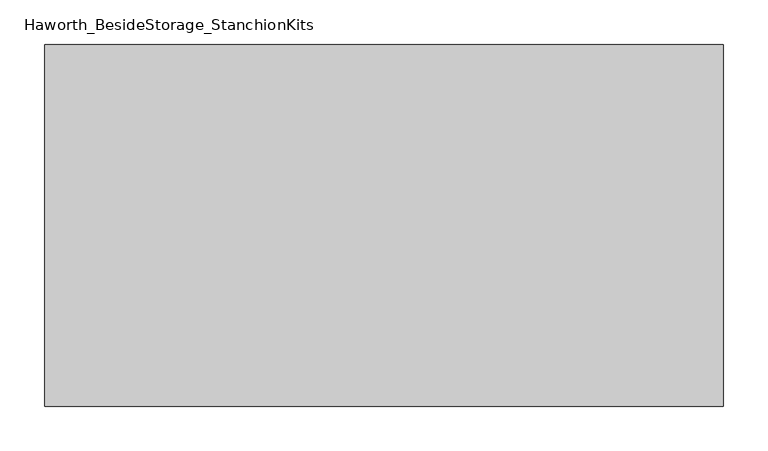
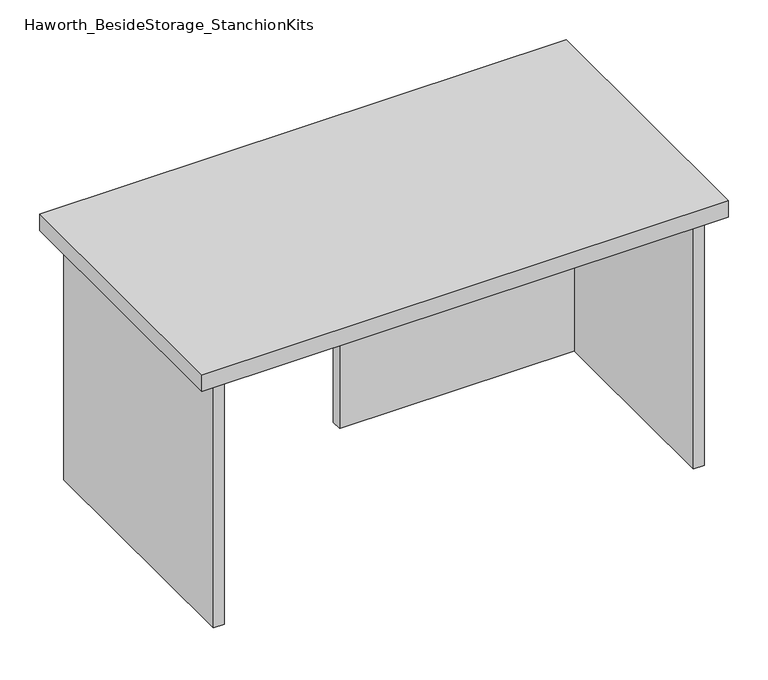
"""IFC4 building model written with IfcOpenShell, lengths in millimetres: furniture geometry, Haworth_BesideStorage_StanchionKits."""

from ifc_helpers import new_model, si_unit, frame, origin, place, context, project, spatial, polyline, outline, extrude, source, transform, mapped, element, save


def haworth_besidestorage_stanchionkits_253b1ee7(model_context):
    return source(origin(), model_context, "Body", "SweptSolid", [
        extrude(outline(polyline([(542.925, 0.0), (542.925, -406.4), (-219.075, -406.4), (-219.075, 0.0), (542.925, 0.0)])), frame((0.0, 0.0, 812.8), z_axis=(0.0, 0.0, 1.0), x_axis=(1.0, 0.0, 0.0)), (0.0, 0.0, 1.0), 25.4),
        extrude(outline(polyline([(161.925, -76.2), (501.65, -76.2), (501.65, -92.075), (161.925, -92.075), (161.925, -76.2)])), frame((0.0, 0.0, 431.8), z_axis=(0.0, 0.0, 1.0), x_axis=(1.0, 0.0, 0.0)), (0.0, 0.0, 1.0), 381.0),
        extrude(outline(polyline([(517.525, -390.525), (501.65, -390.525), (501.65, -15.875), (517.525, -15.875), (517.525, -390.525)])), frame((0.0, 0.0, 431.8), z_axis=(0.0, 0.0, 1.0), x_axis=(1.0, 0.0, 0.0)), (0.0, 0.0, 1.0), 381.0),
        extrude(outline(polyline([(-177.8, -390.525), (-193.675, -390.525), (-193.675, -15.875), (-177.8, -15.875), (-177.8, -390.525)])), frame((0.0, 0.0, 431.8), z_axis=(0.0, 0.0, 1.0), x_axis=(1.0, 0.0, 0.0)), (0.0, 0.0, 1.0), 381.0),
    ])


if __name__ == "__main__":
    model = new_model("IFC4")
    model_context = context("Model", 3, world=origin())
    ifc_project = project(units=[si_unit("LENGTHUNIT", "METRE", prefix="MILLI")], contexts=[model_context])
    site = spatial("IfcSite", under=ifc_project)
    building = spatial("IfcBuilding", under=site)
    placement = place(None, origin())
    haworth_besidestorage_stanchionkits_shape = haworth_besidestorage_stanchionkits_253b1ee7(model_context)
    element("IfcFurniture", 1, ObjectType="Haworth_BesideStorage_StanchionKits", at=placement, inside=building, context=model_context, shape_type="MappedRepresentation", body=[
        mapped(haworth_besidestorage_stanchionkits_shape, transform((0.0, 0.0, 0.0), x_axis=(1.0, 0.0, 0.0), y_axis=(0.0, 1.0, 0.0), z_axis=(0.0, 0.0, 1.0))),
    ])
    save(model, "model.ifc")
